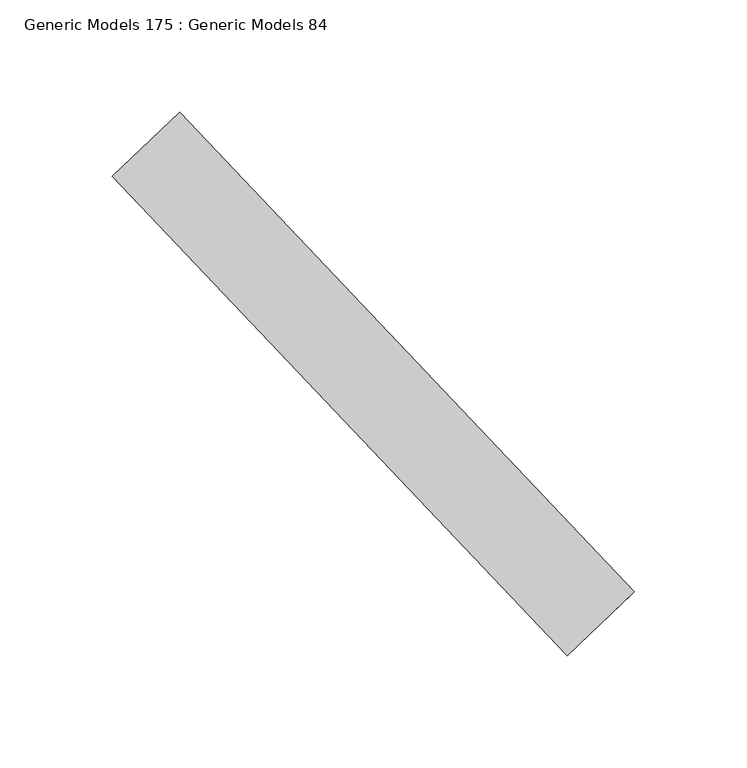
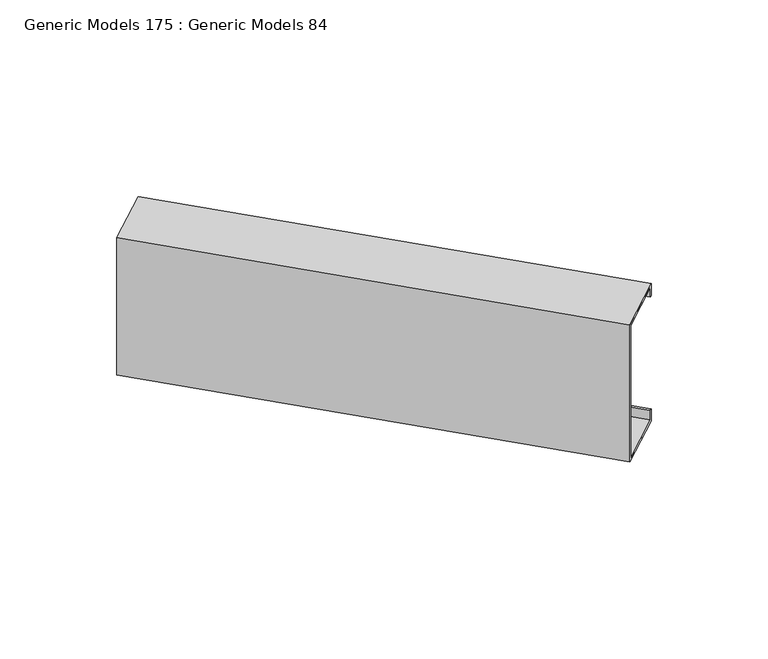
"""IFC4 building model written with IfcOpenShell, lengths in millimetres: proxy geometry, Generic Models 175 : Generic Models 84."""

from ifc_helpers import new_model, si_unit, frame, origin, place, context, project, spatial, polyline, outline, extrude, source, transform, mapped, element, save


def generic_models_175_generic_models_84_6b1a046b(model_context):
    return source(origin(), model_context, "Body", "SweptSolid", [
        extrude(outline(polyline([(0.0, -92.075), (-41.275, -92.075), (-41.275, -84.1375), (-39.6875, -84.1375), (-39.6875, -90.4875), (-1.5875, -90.4875), (-1.5875, -1.5875), (-39.6875, -1.5875), (-39.6875, -7.9375), (-41.275, -7.9375), (-41.275, 0.0), (0.0, 0.0), (0.0, -92.075)])), frame((102346.4130234, 55178.1457591, 18633.1233985), z_axis=(-0.6883545756937535, 0.7253743710122883, 0.0), x_axis=(-0.7253743710122883, -0.6883545756937535, 0.0)), (0.0, 0.0, 1.0), 293.6875),
    ])


if __name__ == "__main__":
    model = new_model("IFC4")
    model_context = context("Model", 3, world=origin())
    ifc_project = project(units=[si_unit("LENGTHUNIT", "METRE", prefix="MILLI")], contexts=[model_context])
    site = spatial("IfcSite", under=ifc_project)
    building = spatial("IfcBuilding", under=site)
    placement = place(None, origin())
    generic_models_175_generic_models_84_shape = generic_models_175_generic_models_84_6b1a046b(model_context)
    element("IfcBuildingElementProxy", 1, Name="Generic Models 175 : Generic Models 84", ObjectType="Generic Models 175 : Generic Models 84", at=placement, inside=building, context=model_context, shape_type="MappedRepresentation", body=[
        mapped(generic_models_175_generic_models_84_shape, transform((0.0, 0.0, 0.0), x_axis=(1.0, 0.0, 0.0), y_axis=(0.0, 1.0, 0.0), z_axis=(0.0, 0.0, 1.0))),
    ])
    save(model, "model.ifc")
